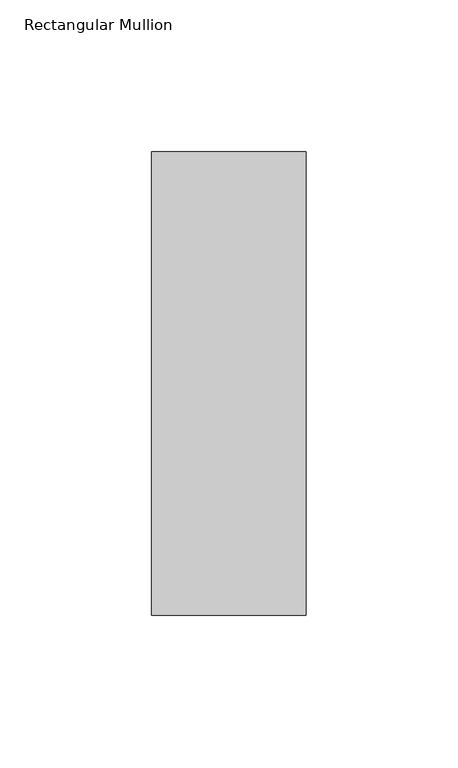
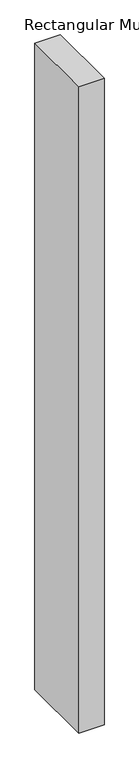
"""IFC4 building model written with IfcOpenShell, lengths in millimetres: member geometry, Rectangular Mullion."""

from ifc_helpers import new_model, si_unit, frame, origin, place, context, project, spatial, polyline, outline, extrude, source, transform, mapped, element, save


def rectangular_mullion_c6c1043b(model_context):
    return source(origin(), model_context, "Body", "SweptSolid", [
        extrude(outline(polyline([(-50.8, -26.19375), (-50.8, 126.20625), (0.0, 126.20625), (0.0, -26.19375), (-50.8, -26.19375)])), frame((0.0, 0.0, -1371.6), z_axis=(0.0, 0.0, 1.0), x_axis=(1.0, 0.0, 0.0)), (0.0, 0.0, 1.0), 1371.6),
    ])


if __name__ == "__main__":
    model = new_model("IFC4")
    model_context = context("Model", 3, world=origin())
    ifc_project = project(units=[si_unit("LENGTHUNIT", "METRE", prefix="MILLI")], contexts=[model_context])
    site = spatial("IfcSite", under=ifc_project)
    building = spatial("IfcBuilding", under=site)
    placement = place(None, origin())
    rectangular_mullion_shape = rectangular_mullion_c6c1043b(model_context)
    element("IfcMember", 1, ObjectType="Rectangular Mullion", at=placement, inside=building, context=model_context, shape_type="MappedRepresentation", body=[
        mapped(rectangular_mullion_shape, transform((0.0, 0.0, 0.0), x_axis=(1.0, 0.0, 0.0), y_axis=(0.0, 1.0, 0.0), z_axis=(0.0, 0.0, 1.0))),
    ])
    save(model, "model.ifc")
